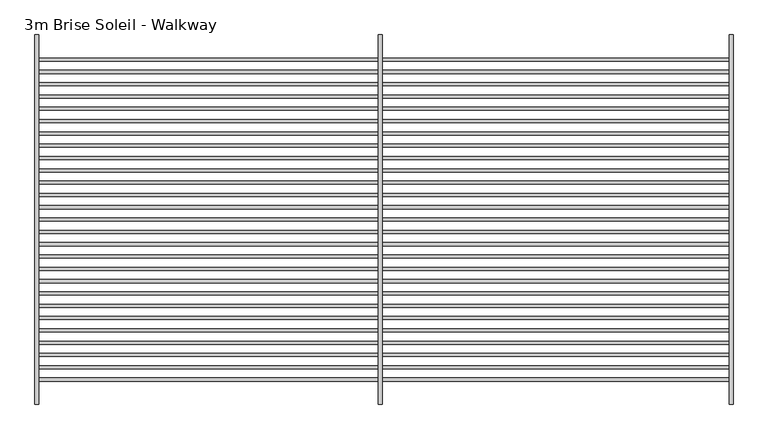
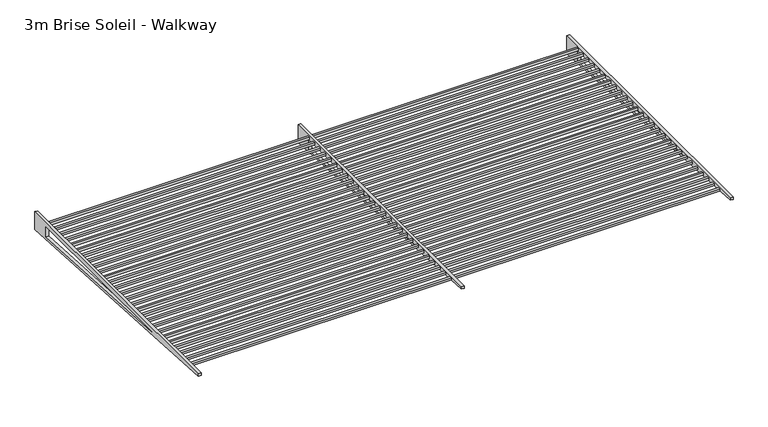
"""IFC4 building model written with IfcOpenShell, lengths in millimetres: railing geometry, 3m Brise Soleil - Walkway."""

from ifc_helpers import new_model, si_unit, frame, origin, place, context, project, spatial, polyline, outline, extrude, source, transform, mapped, element, save


def railing_3m_brise_soleil_walkway_1781f871(model_context):
    return source(origin(), model_context, "Body", "SweptSolid", [
        extrude(outline(polyline([(4461.9658306, -40111.4595544), (4461.9658306, -40086.4595544), (10058.1040455, -40086.4595544), (10058.1040455, -40111.4595544), (4461.9658306, -40111.4595544)])), frame((0.0, 0.0, -35.0), z_axis=(0.0, 0.0, 1.0), x_axis=(1.0, 0.0, 0.0)), (0.0, 0.0, 1.0), 25.0),
        extrude(outline(polyline([(4461.9658306, -40011.4595544), (4461.9658306, -39986.4595544), (10058.1040455, -39986.4595544), (10058.1040455, -40011.4595544), (4461.9658306, -40011.4595544)])), frame((0.0, 0.0, -35.0), z_axis=(0.0, 0.0, 1.0), x_axis=(1.0, 0.0, 0.0)), (0.0, 0.0, 1.0), 25.0),
        extrude(outline(polyline([(4461.9658306, -39911.4595544), (4461.9658306, -39886.4595544), (10058.1040455, -39886.4595544), (10058.1040455, -39911.4595544), (4461.9658306, -39911.4595544)])), frame((0.0, 0.0, -35.0), z_axis=(0.0, 0.0, 1.0), x_axis=(1.0, 0.0, 0.0)), (0.0, 0.0, 1.0), 25.0),
        extrude(outline(polyline([(4461.9658306, -39811.4595544), (4461.9658306, -39786.4595544), (10058.1040455, -39786.4595544), (10058.1040455, -39811.4595544), (4461.9658306, -39811.4595544)])), frame((0.0, 0.0, -35.0), z_axis=(0.0, 0.0, 1.0), x_axis=(1.0, 0.0, 0.0)), (0.0, 0.0, 1.0), 25.0),
        extrude(outline(polyline([(4461.9658306, -39711.4595544), (4461.9658306, -39686.4595544), (10058.1040455, -39686.4595544), (10058.1040455, -39711.4595544), (4461.9658306, -39711.4595544)])), frame((0.0, 0.0, -35.0), z_axis=(0.0, 0.0, 1.0), x_axis=(1.0, 0.0, 0.0)), (0.0, 0.0, 1.0), 25.0),
        extrude(outline(polyline([(4461.9658306, -39611.4595544), (4461.9658306, -39586.4595544), (10058.1040455, -39586.4595544), (10058.1040455, -39611.4595544), (4461.9658306, -39611.4595544)])), frame((0.0, 0.0, -35.0), z_axis=(0.0, 0.0, 1.0), x_axis=(1.0, 0.0, 0.0)), (0.0, 0.0, 1.0), 25.0),
        extrude(outline(polyline([(4461.9658306, -39511.4595544), (4461.9658306, -39486.4595544), (10058.1040455, -39486.4595544), (10058.1040455, -39511.4595544), (4461.9658306, -39511.4595544)])), frame((0.0, 0.0, -35.0), z_axis=(0.0, 0.0, 1.0), x_axis=(1.0, 0.0, 0.0)), (0.0, 0.0, 1.0), 25.0),
        extrude(outline(polyline([(4461.9658306, -39411.4595544), (4461.9658306, -39386.4595544), (10058.1040455, -39386.4595544), (10058.1040455, -39411.4595544), (4461.9658306, -39411.4595544)])), frame((0.0, 0.0, -35.0), z_axis=(0.0, 0.0, 1.0), x_axis=(1.0, 0.0, 0.0)), (0.0, 0.0, 1.0), 25.0),
        extrude(outline(polyline([(4461.9658306, -39311.4595544), (4461.9658306, -39286.4595544), (10058.1040455, -39286.4595544), (10058.1040455, -39311.4595544), (4461.9658306, -39311.4595544)])), frame((0.0, 0.0, -35.0), z_axis=(0.0, 0.0, 1.0), x_axis=(1.0, 0.0, 0.0)), (0.0, 0.0, 1.0), 25.0),
        extrude(outline(polyline([(4461.9658306, -39211.4595544), (4461.9658306, -39186.4595544), (10058.1040455, -39186.4595544), (10058.1040455, -39211.4595544), (4461.9658306, -39211.4595544)])), frame((0.0, 0.0, -35.0), z_axis=(0.0, 0.0, 1.0), x_axis=(1.0, 0.0, 0.0)), (0.0, 0.0, 1.0), 25.0),
        extrude(outline(polyline([(4461.9658306, -39111.4595544), (4461.9658306, -39086.4595544), (10058.1040455, -39086.4595544), (10058.1040455, -39111.4595544), (4461.9658306, -39111.4595544)])), frame((0.0, 0.0, -35.0), z_axis=(0.0, 0.0, 1.0), x_axis=(1.0, 0.0, 0.0)), (0.0, 0.0, 1.0), 25.0),
        extrude(outline(polyline([(4461.9658306, -39011.4595544), (4461.9658306, -38986.4595544), (10058.1040455, -38986.4595544), (10058.1040455, -39011.4595544), (4461.9658306, -39011.4595544)])), frame((0.0, 0.0, -35.0), z_axis=(0.0, 0.0, 1.0), x_axis=(1.0, 0.0, 0.0)), (0.0, 0.0, 1.0), 25.0),
        extrude(outline(polyline([(4461.9658306, -38911.4595544), (4461.9658306, -38886.4595544), (10058.1040455, -38886.4595544), (10058.1040455, -38911.4595544), (4461.9658306, -38911.4595544)])), frame((0.0, 0.0, -35.0), z_axis=(0.0, 0.0, 1.0), x_axis=(1.0, 0.0, 0.0)), (0.0, 0.0, 1.0), 25.0),
        extrude(outline(polyline([(4461.9658306, -38811.4595544), (4461.9658306, -38786.4595544), (10058.1040455, -38786.4595544), (10058.1040455, -38811.4595544), (4461.9658306, -38811.4595544)])), frame((0.0, 0.0, -35.0), z_axis=(0.0, 0.0, 1.0), x_axis=(1.0, 0.0, 0.0)), (0.0, 0.0, 1.0), 25.0),
        extrude(outline(polyline([(4461.9658306, -38711.4595544), (4461.9658306, -38686.4595544), (10058.1040455, -38686.4595544), (10058.1040455, -38711.4595544), (4461.9658306, -38711.4595544)])), frame((0.0, 0.0, -35.0), z_axis=(0.0, 0.0, 1.0), x_axis=(1.0, 0.0, 0.0)), (0.0, 0.0, 1.0), 25.0),
        extrude(outline(polyline([(4461.9658306, -38611.4595544), (4461.9658306, -38586.4595544), (10058.1040455, -38586.4595544), (10058.1040455, -38611.4595544), (4461.9658306, -38611.4595544)])), frame((0.0, 0.0, -35.0), z_axis=(0.0, 0.0, 1.0), x_axis=(1.0, 0.0, 0.0)), (0.0, 0.0, 1.0), 25.0),
        extrude(outline(polyline([(4461.9658306, -38511.4595544), (4461.9658306, -38486.4595544), (10058.1040455, -38486.4595544), (10058.1040455, -38511.4595544), (4461.9658306, -38511.4595544)])), frame((0.0, 0.0, -35.0), z_axis=(0.0, 0.0, 1.0), x_axis=(1.0, 0.0, 0.0)), (0.0, 0.0, 1.0), 25.0),
        extrude(outline(polyline([(4461.9658306, -38411.4595544), (4461.9658306, -38386.4595544), (10058.1040455, -38386.4595544), (10058.1040455, -38411.4595544), (4461.9658306, -38411.4595544)])), frame((0.0, 0.0, -35.0), z_axis=(0.0, 0.0, 1.0), x_axis=(1.0, 0.0, 0.0)), (0.0, 0.0, 1.0), 25.0),
        extrude(outline(polyline([(4461.9658306, -38311.4595544), (4461.9658306, -38286.4595544), (10058.1040455, -38286.4595544), (10058.1040455, -38311.4595544), (4461.9658306, -38311.4595544)])), frame((0.0, 0.0, -35.0), z_axis=(0.0, 0.0, 1.0), x_axis=(1.0, 0.0, 0.0)), (0.0, 0.0, 1.0), 25.0),
        extrude(outline(polyline([(4461.9658306, -38211.4595544), (4461.9658306, -38186.4595544), (10058.1040455, -38186.4595544), (10058.1040455, -38211.4595544), (4461.9658306, -38211.4595544)])), frame((0.0, 0.0, -35.0), z_axis=(0.0, 0.0, 1.0), x_axis=(1.0, 0.0, 0.0)), (0.0, 0.0, 1.0), 25.0),
        extrude(outline(polyline([(4461.9658306, -38111.4595544), (4461.9658306, -38086.4595544), (10058.1040455, -38086.4595544), (10058.1040455, -38111.4595544), (4461.9658306, -38111.4595544)])), frame((0.0, 0.0, -35.0), z_axis=(0.0, 0.0, 1.0), x_axis=(1.0, 0.0, 0.0)), (0.0, 0.0, 1.0), 25.0),
        extrude(outline(polyline([(4461.9658306, -38011.4595544), (4461.9658306, -37986.4595544), (10058.1040455, -37986.4595544), (10058.1040455, -38011.4595544), (4461.9658306, -38011.4595544)])), frame((0.0, 0.0, -35.0), z_axis=(0.0, 0.0, 1.0), x_axis=(1.0, 0.0, 0.0)), (0.0, 0.0, 1.0), 25.0),
        extrude(outline(polyline([(4461.9658306, -37911.4595544), (4461.9658306, -37886.4595544), (10058.1040455, -37886.4595544), (10058.1040455, -37911.4595544), (4461.9658306, -37911.4595544)])), frame((0.0, 0.0, -35.0), z_axis=(0.0, 0.0, 1.0), x_axis=(1.0, 0.0, 0.0)), (0.0, 0.0, 1.0), 25.0),
        extrude(outline(polyline([(4461.9658306, -37811.4595544), (4461.9658306, -37786.4595544), (10058.1040455, -37786.4595544), (10058.1040455, -37811.4595544), (4461.9658306, -37811.4595544)])), frame((0.0, 0.0, -35.0), z_axis=(0.0, 0.0, 1.0), x_axis=(1.0, 0.0, 0.0)), (0.0, 0.0, 1.0), 25.0),
        extrude(outline(polyline([(4461.9658306, -37711.4595544), (4461.9658306, -37686.4595544), (10058.1040455, -37686.4595544), (10058.1040455, -37711.4595544), (4461.9658306, -37711.4595544)])), frame((0.0, 0.0, -35.0), z_axis=(0.0, 0.0, 1.0), x_axis=(1.0, 0.0, 0.0)), (0.0, 0.0, 1.0), 25.0),
        extrude(outline(polyline([(4461.9658306, -37611.4595544), (4461.9658306, -37586.4595544), (10058.1040455, -37586.4595544), (10058.1040455, -37611.4595544), (4461.9658306, -37611.4595544)])), frame((0.0, 0.0, -35.0), z_axis=(0.0, 0.0, 1.0), x_axis=(1.0, 0.0, 0.0)), (0.0, 0.0, 1.0), 25.0),
        extrude(outline(polyline([(4461.9658306, -37511.4595544), (4461.9658306, -37486.4595544), (10058.1040455, -37486.4595544), (10058.1040455, -37511.4595544), (4461.9658306, -37511.4595544)])), frame((0.0, 0.0, -35.0), z_axis=(0.0, 0.0, 1.0), x_axis=(1.0, 0.0, 0.0)), (0.0, 0.0, 1.0), 25.0),
        extrude(outline(polyline([(-40298.0613467, 0.0), (-37298.0613467, 0.0), (-37298.0613467, -200.0), (-40298.0613467, -25.0), (-40298.0613467, 0.0)]), holes=[polyline([(-37498.0613467, -163.2908347), (-37498.0613467, -50.0), (-39440.1899421, -50.0), (-37498.0613467, -163.2908347)])]), frame((7214.1730754, 0.0, 0.0), z_axis=(1.0, 0.0, 0.0), x_axis=(0.0, 1.0, 0.0)), (0.0, 0.0, 1.0), 30.0),
        extrude(outline(polyline([(-40298.0613467, 0.0), (-37298.0613467, 0.0), (-37298.0613467, -200.0), (-40298.0613467, -25.0), (-40298.0613467, 0.0)]), holes=[polyline([(-37498.0613467, -163.2908347), (-37498.0613467, -50.0), (-39440.1899421, -50.0), (-37498.0613467, -163.2908347)])]), frame((10062.2421828, 0.0, 0.0), z_axis=(1.0, 0.0, 0.0), x_axis=(0.0, 1.0, 0.0)), (0.0, 0.0, 1.0), 30.0),
        extrude(outline(polyline([(-40298.0613467, 0.0), (-37298.0613467, 0.0), (-37298.0613467, -200.0), (-40298.0613467, -25.0), (-40298.0613467, 0.0)]), holes=[polyline([(-37498.0613467, -163.2908347), (-37498.0613467, -50.0), (-39440.1899421, -50.0), (-37498.0613467, -163.2908347)])]), frame((4426.1039679, 0.0, 0.0), z_axis=(1.0, 0.0, 0.0), x_axis=(0.0, 1.0, 0.0)), (0.0, 0.0, 1.0), 30.0),
    ])


if __name__ == "__main__":
    model = new_model("IFC4")
    model_context = context("Model", 3, world=origin())
    ifc_project = project(units=[si_unit("LENGTHUNIT", "METRE", prefix="MILLI")], contexts=[model_context])
    site = spatial("IfcSite", under=ifc_project)
    building = spatial("IfcBuilding", under=site)
    placement = place(None, origin())
    railing_3m_brise_soleil_walkway_shape = railing_3m_brise_soleil_walkway_1781f871(model_context)
    element("IfcRailing", 1, ObjectType="3m Brise Soleil - Walkway", at=placement, inside=building, context=model_context, shape_type="MappedRepresentation", body=[
        mapped(railing_3m_brise_soleil_walkway_shape, transform((0.0, 0.0, 0.0), x_axis=(1.0, 0.0, 0.0), y_axis=(0.0, 1.0, 0.0), z_axis=(0.0, 0.0, 1.0))),
    ])
    save(model, "model.ifc")
